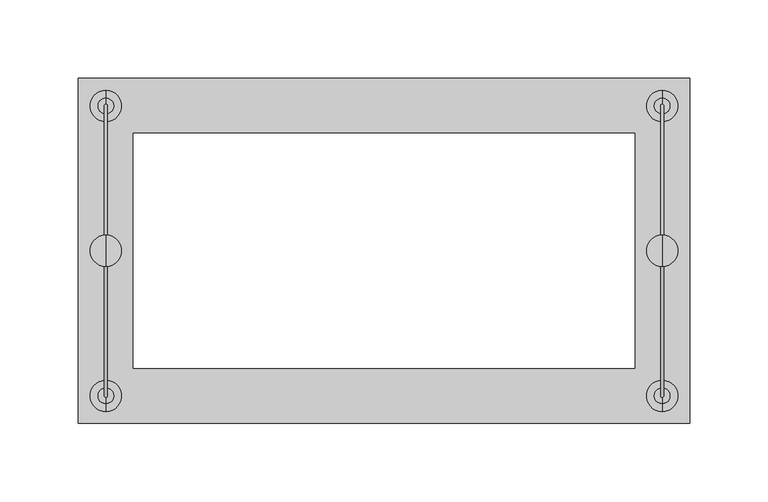
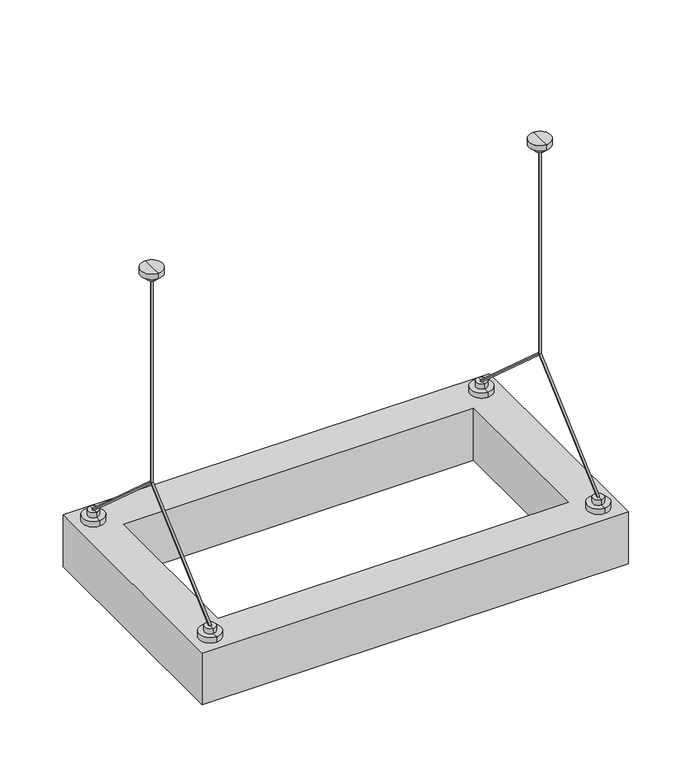
"""IFC4 building model written with IfcOpenShell, lengths in millimetres: light fixture geometry."""

from ifc_helpers import new_model, si_unit, frame, origin, place, context, project, spatial, polyline, circle_curve, ellipse_curve, outline, extrude, source, transform, mapped, element, save
from ifc_brep_helpers import plane_surface, cylinder_surface, advanced_brep


def light_fixture_ee038f2b(model_context):
    return source(origin(), model_context, "Body", "SolidModel", [
        advanced_brep(
        [(253.5, 0.0, -10.0), (253.5, 0.0, -207.5), (251.5, 0.0, -207.5), (251.5, 0.0, -10.0), (252.5, 1.0, -10.0), (252.5, -1.0, -10.0), (253.5, -92.5, -290.0), (252.5, -90.9976297, -290.0), (251.5, -92.5, -290.0), (251.5, 92.5, -290.0), (252.5, 90.9976297, -290.0), (253.5, 92.5, -290.0), (252.5, 82.5, -300.0), (252.5, 102.5, -300.0), (252.5, 92.5, -300.0), (252.5, 82.5, -295.0), (252.5, 102.5, -295.0), (252.5, 87.5, -295.0), (252.5, 97.5, -295.0), (252.5, 87.5, -290.0), (252.5, 97.5, -290.0), (252.5, 93.5, -290.0), (252.5, -102.5, -300.0), (252.5, -82.5, -300.0), (252.5, -92.5, -300.0), (252.5, -102.5, -295.0), (252.5, -82.5, -295.0), (252.5, -97.5, -295.0), (252.5, -87.5, -295.0), (252.5, -97.5, -290.0), (252.5, -87.5, -290.0), (252.5, -93.5, -290.0), (252.5, -5.0, -10.0), (252.5, 5.0, -10.0), (252.5, -5.0, -5.0), (252.5, 5.0, -5.0), (252.5, -10.0, -5.0), (252.5, 10.0, -5.0), (252.5, -10.0, 0.0), (252.5, 10.0, 0.0), (252.5, 0.0, 0.0)],
        [
            (0, 1),
            (1, 2, ellipse_curve(frame((252.5, 0.0, -207.5), z_axis=(0.0, -0.40889188854854597, 0.912582831023685), x_axis=(0.0, 0.9125828310236851, 0.4088918885485457)), 1.0957909, 1.0)),
            (2, 3),
            (3, 4, circle_curve(frame((252.5, 0.0, -10.0), z_axis=(0.0, 0.0, -1.0), x_axis=(1.0, 0.0, 0.0)), 1.0)),
            (4, 0, circle_curve(frame((252.5, 0.0, -10.0), z_axis=(0.0, 0.0, -1.0), x_axis=(1.0, 0.0, 0.0)), 1.0)),
            (0, 5, circle_curve(frame((252.5, 0.0, -10.0), z_axis=(0.0, 0.0, -1.0), x_axis=(1.0, 0.0, 0.0)), 1.0)),
            (5, 3, circle_curve(frame((252.5, 0.0, -10.0), z_axis=(0.0, 0.0, -1.0), x_axis=(1.0, 0.0, 0.0)), 1.0)),
            (2, 1, ellipse_curve(frame((252.5, 0.0, -207.5), z_axis=(0.0, 0.4088918885485265, 0.9125828310236938), x_axis=(0.0, -0.9125828310236939, 0.4088918885485263)), 1.0957909, 1.0)),
            (1, 6),
            (6, 7, ellipse_curve(frame((252.5, -92.5, -290.0), z_axis=(0.0, 0.0, 1.0), x_axis=(0.0, 0.9999999999999999, 0.0)), 1.5023703, 1.0)),
            (7, 8, ellipse_curve(frame((252.5, -92.5, -290.0), z_axis=(0.0, 0.0, 1.0), x_axis=(0.0, 0.9999999999999999, 0.0)), 1.5023703, 1.0)),
            (8, 2),
            (2, 1, ellipse_curve(frame((252.5, 0.0, -207.5), z_axis=(0.0, -0.9999999999999999, 0.0), x_axis=(0.0, 0.0, 1.0)), 1.3399519, 1.0)),
            (8, 6, ellipse_curve(frame((252.5, -92.5, -290.0), z_axis=(0.0, 0.4088918885485264, 0.9125828310236938), x_axis=(0.0, 0.9125828310236936, -0.4088918885485264)), 1.0957909, 1.0)),
            (2, 9),
            (9, 10, ellipse_curve(frame((252.5, 92.5, -290.0), z_axis=(0.0, 0.0, 1.0), x_axis=(0.0, -1.0, 0.0)), 1.5023703, 1.0)),
            (10, 11, ellipse_curve(frame((252.5, 92.5, -290.0), z_axis=(0.0, 0.0, 1.0), x_axis=(0.0, -1.0, 0.0)), 1.5023703, 1.0)),
            (11, 1),
            (11, 9, ellipse_curve(frame((252.5, 92.5, -290.0), z_axis=(0.0, -0.4088918885485461, 0.912582831023685), x_axis=(0.0, -0.9125828310236849, -0.40889188854854636)), 1.0957909, 1.0)),
            (12, 13, circle_curve(frame((252.5, 92.5, -300.0), z_axis=(0.0, 0.0, -1.0), x_axis=(0.0, 1.0, 0.0)), 10.0)),
            (13, 14),
            (14, 12),
            (13, 12, circle_curve(frame((252.5, 92.5, -300.0), z_axis=(0.0, 0.0, -1.0), x_axis=(0.0, 1.0, 0.0)), 10.0)),
            (12, 15),
            (15, 16, circle_curve(frame((252.5, 92.5, -295.0), z_axis=(0.0, 0.0, -1.0), x_axis=(0.0, 1.0, 0.0)), 10.0)),
            (16, 13),
            (16, 15, circle_curve(frame((252.5, 92.5, -295.0), z_axis=(0.0, 0.0, -1.0), x_axis=(0.0, 1.0, 0.0)), 10.0)),
            (15, 17),
            (17, 18, circle_curve(frame((252.5, 92.5, -295.0), z_axis=(0.0, 0.0, -1.0), x_axis=(0.0, 1.0, 0.0)), 5.0)),
            (18, 16),
            (18, 17, circle_curve(frame((252.5, 92.5, -295.0), z_axis=(0.0, 0.0, -1.0), x_axis=(0.0, 1.0, 0.0)), 5.0)),
            (17, 19),
            (19, 20, circle_curve(frame((252.5, 92.5, -290.0), z_axis=(0.0, 0.0, -1.0), x_axis=(0.0, 1.0, 0.0)), 5.0)),
            (20, 18),
            (20, 19, circle_curve(frame((252.5, 92.5, -290.0), z_axis=(0.0, 0.0, -1.0), x_axis=(0.0, 1.0, 0.0)), 5.0)),
            (19, 10),
            (9, 21, circle_curve(frame((252.5, 92.5, -290.0), z_axis=(0.0, 0.0, -1.0), x_axis=(1.0, 0.0, 0.0)), 1.0)),
            (21, 20),
            (21, 11, circle_curve(frame((252.5, 92.5, -290.0), z_axis=(0.0, 0.0, -1.0), x_axis=(1.0, 0.0, 0.0)), 1.0)),
            (22, 23, circle_curve(frame((252.5, -92.5, -300.0), z_axis=(0.0, 0.0, -1.0), x_axis=(0.0, 1.0, 0.0)), 10.0)),
            (23, 24),
            (24, 22),
            (23, 22, circle_curve(frame((252.5, -92.5, -300.0), z_axis=(0.0, 0.0, -1.0), x_axis=(0.0, 1.0, 0.0)), 10.0)),
            (22, 25),
            (25, 26, circle_curve(frame((252.5, -92.5, -295.0), z_axis=(0.0, 0.0, -1.0), x_axis=(0.0, 1.0, 0.0)), 10.0)),
            (26, 23),
            (26, 25, circle_curve(frame((252.5, -92.5, -295.0), z_axis=(0.0, 0.0, -1.0), x_axis=(0.0, 1.0, 0.0)), 10.0)),
            (25, 27),
            (27, 28, circle_curve(frame((252.5, -92.5, -295.0), z_axis=(0.0, 0.0, -1.0), x_axis=(0.0, 1.0, 0.0)), 5.0)),
            (28, 26),
            (28, 27, circle_curve(frame((252.5, -92.5, -295.0), z_axis=(0.0, 0.0, -1.0), x_axis=(0.0, 1.0, 0.0)), 5.0)),
            (27, 29),
            (29, 30, circle_curve(frame((252.5, -92.5, -290.0), z_axis=(0.0, 0.0, -1.0), x_axis=(0.0, 1.0, 0.0)), 5.0)),
            (30, 28),
            (30, 29, circle_curve(frame((252.5, -92.5, -290.0), z_axis=(0.0, 0.0, -1.0), x_axis=(0.0, 1.0, 0.0)), 5.0)),
            (29, 31),
            (31, 8, circle_curve(frame((252.5, -92.5, -290.0), z_axis=(0.0, 0.0, -1.0), x_axis=(1.0, 0.0, 0.0)), 1.0)),
            (7, 30),
            (6, 31, circle_curve(frame((252.5, -92.5, -290.0), z_axis=(0.0, 0.0, -1.0), x_axis=(1.0, 0.0, 0.0)), 1.0)),
            (32, 33, circle_curve(frame((252.5, 0.0, -10.0), z_axis=(0.0, 0.0, -1.0), x_axis=(0.0, 1.0, 0.0)), 5.0)),
            (33, 4),
            (5, 32),
            (33, 32, circle_curve(frame((252.5, 0.0, -10.0), z_axis=(0.0, 0.0, -1.0), x_axis=(0.0, 1.0, 0.0)), 5.0)),
            (32, 34),
            (34, 35, circle_curve(frame((252.5, 0.0, -5.0), z_axis=(0.0, 0.0, -1.0), x_axis=(0.0, 1.0, 0.0)), 5.0)),
            (35, 33),
            (35, 34, circle_curve(frame((252.5, 0.0, -5.0), z_axis=(0.0, 0.0, -1.0), x_axis=(0.0, 1.0, 0.0)), 5.0)),
            (34, 36),
            (36, 37, circle_curve(frame((252.5, 0.0, -5.0), z_axis=(0.0, 0.0, -1.0), x_axis=(0.0, 1.0, 0.0)), 10.0)),
            (37, 35),
            (37, 36, circle_curve(frame((252.5, 0.0, -5.0), z_axis=(0.0, 0.0, -1.0), x_axis=(0.0, 1.0, 0.0)), 10.0)),
            (36, 38),
            (38, 39, circle_curve(frame((252.5, 0.0, 0.0), z_axis=(0.0, 0.0, -1.0), x_axis=(0.0, 1.0, 0.0)), 10.0)),
            (39, 37),
            (39, 38, circle_curve(frame((252.5, 0.0, 0.0), z_axis=(0.0, 0.0, -1.0), x_axis=(0.0, 1.0, 0.0)), 10.0)),
            (38, 40),
            (40, 39),
        ],
        [
            cylinder_surface(frame((252.5, 0.0, -10.0), z_axis=(0.0, 0.0, 1.0), x_axis=(1.0, 0.0, 0.0)), 1.0),
            cylinder_surface(frame((252.5, 0.0, -207.5), z_axis=(0.0, 0.7462954344684778, 0.665614846958439), x_axis=(1.0, 0.0, 0.0)), 1.0),
            cylinder_surface(frame((252.5, 0.0, -207.5), z_axis=(0.0, -0.7462954344685063, 0.6656148469584069), x_axis=(1.0, 0.0, 0.0)), 1.0),
            plane_surface(frame((252.5, 92.5, -300.0), z_axis=(0.0, 0.0, -1.0), x_axis=(0.0, 1.0, 0.0))),
            cylinder_surface(frame((252.5, 92.5, -604.8), z_axis=(0.0, 0.0, 1.0), x_axis=(0.0, 1.0, 0.0)), 10.0),
            plane_surface(frame((252.5, 92.5, -295.0), z_axis=(0.0, 0.0, 1.0), x_axis=(0.0, 1.0, 0.0))),
            cylinder_surface(frame((252.5, 92.5, -604.8), z_axis=(0.0, 0.0, 1.0), x_axis=(0.0, 1.0, 0.0)), 5.0),
            plane_surface(frame((252.5, 92.5, -290.0), z_axis=(0.0, 0.0, 1.0), x_axis=(0.0, 1.0, 0.0))),
            plane_surface(frame((252.5, -92.5, -300.0), z_axis=(0.0, 0.0, -1.0), x_axis=(0.0, 1.0, 0.0))),
            cylinder_surface(frame((252.5, -92.5, -604.8), z_axis=(0.0, 0.0, 1.0), x_axis=(0.0, 1.0, 0.0)), 10.0),
            plane_surface(frame((252.5, -92.5, -295.0), z_axis=(0.0, 0.0, 1.0), x_axis=(0.0, 1.0, 0.0))),
            cylinder_surface(frame((252.5, -92.5, -604.8), z_axis=(0.0, 0.0, 1.0), x_axis=(0.0, 1.0, 0.0)), 5.0),
            plane_surface(frame((252.5, -92.5, -290.0), z_axis=(0.0, 0.0, 1.0), x_axis=(0.0, 1.0, 0.0))),
            plane_surface(frame((252.5, 0.0, -10.0), z_axis=(0.0, 0.0, -1.0), x_axis=(0.0, 1.0, 0.0))),
            cylinder_surface(frame((252.5, 0.0, 2141.4742198), z_axis=(0.0, 0.0, 1.0), x_axis=(0.0, 1.0, 0.0)), 5.0),
            plane_surface(frame((252.5, 0.0, -5.0), z_axis=(0.0, 0.0, -1.0), x_axis=(0.0, 1.0, 0.0))),
            cylinder_surface(frame((252.5, 0.0, 2141.4742198), z_axis=(0.0, 0.0, 1.0), x_axis=(0.0, 1.0, 0.0)), 10.0),
            plane_surface(frame((252.5, 0.0, 0.0), z_axis=(0.0, 0.0, 1.0), x_axis=(0.0, 1.0, 0.0))),
            cylinder_surface(frame((252.5, 92.5, -290.0), z_axis=(0.0, 0.0, 1.0), x_axis=(1.0, 0.0, 0.0)), 1.0),
            cylinder_surface(frame((252.5, -92.5, -290.0), z_axis=(0.0, 0.0, 1.0), x_axis=(1.0, 0.0, 0.0)), 1.0),
        ],
        [
            (0, [[1, 2, 3, 4, 5]]),
            (0, [[-1, 6, 7, -3, 8]]),
            (1, [[9, 10, 11, 12, 13]]),
            (1, [[-8, -12, 14, -9]]),
            (2, [[15, 16, 17, 18, -13]]),
            (2, [[-15, -2, -18, 19]]),
            (3, [[20, 21, 22]]),
            (3, [[-21, 23, -22]]),
            (4, [[-20, 24, 25, 26]]),
            (4, [[-23, -26, 27, -24]]),
            (5, [[-25, 28, 29, 30]]),
            (5, [[-27, -30, 31, -28]]),
            (6, [[-29, 32, 33, 34]]),
            (6, [[-31, -34, 35, -32]]),
            (7, [[-33, 36, -16, 37, 38]]),
            (7, [[-35, -38, 39, -17, -36]]),
            (8, [[40, 41, 42]]),
            (8, [[-41, 43, -42]]),
            (9, [[-40, 44, 45, 46]]),
            (9, [[-43, -46, 47, -44]]),
            (10, [[-45, 48, 49, 50]]),
            (10, [[-47, -50, 51, -48]]),
            (11, [[-49, 52, 53, 54]]),
            (11, [[-51, -54, 55, -52]]),
            (12, [[-53, 56, 57, -11, 58]]),
            (12, [[-55, -58, -10, 59, -56]]),
            (13, [[60, 61, -4, -7, 62]]),
            (13, [[63, -62, -6, -5, -61]]),
            (14, [[-60, 64, 65, 66]]),
            (14, [[-63, -66, 67, -64]]),
            (15, [[-65, 68, 69, 70]]),
            (15, [[-67, -70, 71, -68]]),
            (16, [[-69, 72, 73, 74]]),
            (16, [[-71, -74, 75, -72]]),
            (17, [[-73, 76, 77]]),
            (17, [[-75, -77, -76]]),
            (18, [[-19, -39, -37]]),
            (19, [[-14, -57, -59]]),
        ],
    ),
        advanced_brep(
        [(-101.5, 0.0, -10.0), (-101.5, 0.0, -207.5), (-103.5, 0.0, -207.5), (-103.5, 0.0, -10.0), (-102.5, 1.0, -10.0), (-102.5, -1.0, -10.0), (-101.5, -92.5, -290.0), (-102.5, -90.9976297, -290.0), (-103.5, -92.5, -290.0), (-103.5, 92.5, -290.0), (-102.5, 90.9976297, -290.0), (-101.5, 92.5, -290.0), (-102.5, 82.5, -300.0), (-102.5, 102.5, -300.0), (-102.5, 92.5, -300.0), (-102.5, 82.5, -295.0), (-102.5, 102.5, -295.0), (-102.5, 87.5, -295.0), (-102.5, 97.5, -295.0), (-102.5, 87.5, -290.0), (-102.5, 97.5, -290.0), (-102.5, 93.5, -290.0), (-102.5, -102.5, -300.0), (-102.5, -82.5, -300.0), (-102.5, -92.5, -300.0), (-102.5, -102.5, -295.0), (-102.5, -82.5, -295.0), (-102.5, -97.5, -295.0), (-102.5, -87.5, -295.0), (-102.5, -97.5, -290.0), (-102.5, -87.5, -290.0), (-102.5, -93.5, -290.0), (-102.5, -5.0, -10.0), (-102.5, 5.0, -10.0), (-102.5, -5.0, -5.0), (-102.5, 5.0, -5.0), (-102.5, -10.0, -5.0), (-102.5, 10.0, -5.0), (-102.5, -10.0, 0.0), (-102.5, 10.0, 0.0), (-102.5, 0.0, 0.0)],
        [
            (0, 1),
            (1, 2, ellipse_curve(frame((-102.5, 0.0, -207.5), z_axis=(0.0, -0.40889188854854597, 0.912582831023685), x_axis=(0.0, 0.9125828310236851, 0.4088918885485457)), 1.0957909, 1.0)),
            (2, 3),
            (3, 4, circle_curve(frame((-102.5, 0.0, -10.0), z_axis=(0.0, 0.0, -1.0), x_axis=(1.0, 0.0, 0.0)), 1.0)),
            (4, 0, circle_curve(frame((-102.5, 0.0, -10.0), z_axis=(0.0, 0.0, -1.0), x_axis=(1.0, 0.0, 0.0)), 1.0)),
            (0, 5, circle_curve(frame((-102.5, 0.0, -10.0), z_axis=(0.0, 0.0, -1.0), x_axis=(1.0, 0.0, 0.0)), 1.0)),
            (5, 3, circle_curve(frame((-102.5, 0.0, -10.0), z_axis=(0.0, 0.0, -1.0), x_axis=(1.0, 0.0, 0.0)), 1.0)),
            (2, 1, ellipse_curve(frame((-102.5, 0.0, -207.5), z_axis=(0.0, 0.4088918885485265, 0.9125828310236938), x_axis=(0.0, -0.9125828310236939, 0.4088918885485263)), 1.0957909, 1.0)),
            (1, 6),
            (6, 7, ellipse_curve(frame((-102.5, -92.5, -290.0), z_axis=(0.0, 0.0, 1.0), x_axis=(0.0, 0.9999999999999999, 0.0)), 1.5023703, 1.0)),
            (7, 8, ellipse_curve(frame((-102.5, -92.5, -290.0), z_axis=(0.0, 0.0, 1.0), x_axis=(0.0, 0.9999999999999999, 0.0)), 1.5023703, 1.0)),
            (8, 2),
            (2, 1, ellipse_curve(frame((-102.5, 0.0, -207.5), z_axis=(0.0, -0.9999999999999999, 0.0), x_axis=(0.0, 0.0, 1.0)), 1.3399519, 1.0)),
            (8, 6, ellipse_curve(frame((-102.5, -92.5, -290.0), z_axis=(0.0, 0.4088918885485264, 0.9125828310236938), x_axis=(0.0, 0.9125828310236936, -0.4088918885485264)), 1.0957909, 1.0)),
            (2, 9),
            (9, 10, ellipse_curve(frame((-102.5, 92.5, -290.0), z_axis=(0.0, 0.0, 1.0), x_axis=(0.0, -1.0, 0.0)), 1.5023703, 1.0)),
            (10, 11, ellipse_curve(frame((-102.5, 92.5, -290.0), z_axis=(0.0, 0.0, 1.0), x_axis=(0.0, -1.0, 0.0)), 1.5023703, 1.0)),
            (11, 1),
            (11, 9, ellipse_curve(frame((-102.5, 92.5, -290.0), z_axis=(0.0, -0.4088918885485461, 0.912582831023685), x_axis=(0.0, -0.9125828310236849, -0.40889188854854636)), 1.0957909, 1.0)),
            (12, 13, circle_curve(frame((-102.5, 92.5, -300.0), z_axis=(0.0, 0.0, -1.0), x_axis=(0.0, 1.0, 0.0)), 10.0)),
            (13, 14),
            (14, 12),
            (13, 12, circle_curve(frame((-102.5, 92.5, -300.0), z_axis=(0.0, 0.0, -1.0), x_axis=(0.0, 1.0, 0.0)), 10.0)),
            (12, 15),
            (15, 16, circle_curve(frame((-102.5, 92.5, -295.0), z_axis=(0.0, 0.0, -1.0), x_axis=(0.0, 1.0, 0.0)), 10.0)),
            (16, 13),
            (16, 15, circle_curve(frame((-102.5, 92.5, -295.0), z_axis=(0.0, 0.0, -1.0), x_axis=(0.0, 1.0, 0.0)), 10.0)),
            (15, 17),
            (17, 18, circle_curve(frame((-102.5, 92.5, -295.0), z_axis=(0.0, 0.0, -1.0), x_axis=(0.0, 1.0, 0.0)), 5.0)),
            (18, 16),
            (18, 17, circle_curve(frame((-102.5, 92.5, -295.0), z_axis=(0.0, 0.0, -1.0), x_axis=(0.0, 1.0, 0.0)), 5.0)),
            (17, 19),
            (19, 20, circle_curve(frame((-102.5, 92.5, -290.0), z_axis=(0.0, 0.0, -1.0), x_axis=(0.0, 1.0, 0.0)), 5.0)),
            (20, 18),
            (20, 19, circle_curve(frame((-102.5, 92.5, -290.0), z_axis=(0.0, 0.0, -1.0), x_axis=(0.0, 1.0, 0.0)), 5.0)),
            (19, 10),
            (9, 21, circle_curve(frame((-102.5, 92.5, -290.0), z_axis=(0.0, 0.0, -1.0), x_axis=(1.0, 0.0, 0.0)), 1.0)),
            (21, 20),
            (21, 11, circle_curve(frame((-102.5, 92.5, -290.0), z_axis=(0.0, 0.0, -1.0), x_axis=(1.0, 0.0, 0.0)), 1.0)),
            (22, 23, circle_curve(frame((-102.5, -92.5, -300.0), z_axis=(0.0, 0.0, -1.0), x_axis=(0.0, 1.0, 0.0)), 10.0)),
            (23, 24),
            (24, 22),
            (23, 22, circle_curve(frame((-102.5, -92.5, -300.0), z_axis=(0.0, 0.0, -1.0), x_axis=(0.0, 1.0, 0.0)), 10.0)),
            (22, 25),
            (25, 26, circle_curve(frame((-102.5, -92.5, -295.0), z_axis=(0.0, 0.0, -1.0), x_axis=(0.0, 1.0, 0.0)), 10.0)),
            (26, 23),
            (26, 25, circle_curve(frame((-102.5, -92.5, -295.0), z_axis=(0.0, 0.0, -1.0), x_axis=(0.0, 1.0, 0.0)), 10.0)),
            (25, 27),
            (27, 28, circle_curve(frame((-102.5, -92.5, -295.0), z_axis=(0.0, 0.0, -1.0), x_axis=(0.0, 1.0, 0.0)), 5.0)),
            (28, 26),
            (28, 27, circle_curve(frame((-102.5, -92.5, -295.0), z_axis=(0.0, 0.0, -1.0), x_axis=(0.0, 1.0, 0.0)), 5.0)),
            (27, 29),
            (29, 30, circle_curve(frame((-102.5, -92.5, -290.0), z_axis=(0.0, 0.0, -1.0), x_axis=(0.0, 1.0, 0.0)), 5.0)),
            (30, 28),
            (30, 29, circle_curve(frame((-102.5, -92.5, -290.0), z_axis=(0.0, 0.0, -1.0), x_axis=(0.0, 1.0, 0.0)), 5.0)),
            (29, 31),
            (31, 8, circle_curve(frame((-102.5, -92.5, -290.0), z_axis=(0.0, 0.0, -1.0), x_axis=(1.0, 0.0, 0.0)), 1.0)),
            (7, 30),
            (6, 31, circle_curve(frame((-102.5, -92.5, -290.0), z_axis=(0.0, 0.0, -1.0), x_axis=(1.0, 0.0, 0.0)), 1.0)),
            (32, 33, circle_curve(frame((-102.5, 0.0, -10.0), z_axis=(0.0, 0.0, -1.0), x_axis=(0.0, 1.0, 0.0)), 5.0)),
            (33, 4),
            (5, 32),
            (33, 32, circle_curve(frame((-102.5, 0.0, -10.0), z_axis=(0.0, 0.0, -1.0), x_axis=(0.0, 1.0, 0.0)), 5.0)),
            (32, 34),
            (34, 35, circle_curve(frame((-102.5, 0.0, -5.0), z_axis=(0.0, 0.0, -1.0), x_axis=(0.0, 1.0, 0.0)), 5.0)),
            (35, 33),
            (35, 34, circle_curve(frame((-102.5, 0.0, -5.0), z_axis=(0.0, 0.0, -1.0), x_axis=(0.0, 1.0, 0.0)), 5.0)),
            (34, 36),
            (36, 37, circle_curve(frame((-102.5, 0.0, -5.0), z_axis=(0.0, 0.0, -1.0), x_axis=(0.0, 1.0, 0.0)), 10.0)),
            (37, 35),
            (37, 36, circle_curve(frame((-102.5, 0.0, -5.0), z_axis=(0.0, 0.0, -1.0), x_axis=(0.0, 1.0, 0.0)), 10.0)),
            (36, 38),
            (38, 39, circle_curve(frame((-102.5, 0.0, 0.0), z_axis=(0.0, 0.0, -1.0), x_axis=(0.0, 1.0, 0.0)), 10.0)),
            (39, 37),
            (39, 38, circle_curve(frame((-102.5, 0.0, 0.0), z_axis=(0.0, 0.0, -1.0), x_axis=(0.0, 1.0, 0.0)), 10.0)),
            (38, 40),
            (40, 39),
        ],
        [
            cylinder_surface(frame((-102.5, 0.0, -10.0), z_axis=(0.0, 0.0, 1.0), x_axis=(1.0, 0.0, 0.0)), 1.0),
            cylinder_surface(frame((-102.5, 0.0, -207.5), z_axis=(0.0, 0.7462954344684778, 0.665614846958439), x_axis=(1.0, 0.0, 0.0)), 1.0),
            cylinder_surface(frame((-102.5, 0.0, -207.5), z_axis=(0.0, -0.7462954344685063, 0.6656148469584069), x_axis=(1.0, 0.0, 0.0)), 1.0),
            plane_surface(frame((-102.5, 92.5, -300.0), z_axis=(0.0, 0.0, -1.0), x_axis=(0.0, 1.0, 0.0))),
            cylinder_surface(frame((-102.5, 92.5, -604.8), z_axis=(0.0, 0.0, 1.0), x_axis=(0.0, 1.0, 0.0)), 10.0),
            plane_surface(frame((-102.5, 92.5, -295.0), z_axis=(0.0, 0.0, 1.0), x_axis=(0.0, 1.0, 0.0))),
            cylinder_surface(frame((-102.5, 92.5, -604.8), z_axis=(0.0, 0.0, 1.0), x_axis=(0.0, 1.0, 0.0)), 5.0),
            plane_surface(frame((-102.5, 92.5, -290.0), z_axis=(0.0, 0.0, 1.0), x_axis=(0.0, 1.0, 0.0))),
            plane_surface(frame((-102.5, -92.5, -300.0), z_axis=(0.0, 0.0, -1.0), x_axis=(0.0, 1.0, 0.0))),
            cylinder_surface(frame((-102.5, -92.5, -604.8), z_axis=(0.0, 0.0, 1.0), x_axis=(0.0, 1.0, 0.0)), 10.0),
            plane_surface(frame((-102.5, -92.5, -295.0), z_axis=(0.0, 0.0, 1.0), x_axis=(0.0, 1.0, 0.0))),
            cylinder_surface(frame((-102.5, -92.5, -604.8), z_axis=(0.0, 0.0, 1.0), x_axis=(0.0, 1.0, 0.0)), 5.0),
            plane_surface(frame((-102.5, -92.5, -290.0), z_axis=(0.0, 0.0, 1.0), x_axis=(0.0, 1.0, 0.0))),
            plane_surface(frame((-102.5, 0.0, -10.0), z_axis=(0.0, 0.0, -1.0), x_axis=(0.0, 1.0, 0.0))),
            cylinder_surface(frame((-102.5, 0.0, 2141.4742198), z_axis=(0.0, 0.0, 1.0), x_axis=(0.0, 1.0, 0.0)), 5.0),
            plane_surface(frame((-102.5, 0.0, -5.0), z_axis=(0.0, 0.0, -1.0), x_axis=(0.0, 1.0, 0.0))),
            cylinder_surface(frame((-102.5, 0.0, 2141.4742198), z_axis=(0.0, 0.0, 1.0), x_axis=(0.0, 1.0, 0.0)), 10.0),
            plane_surface(frame((-102.5, 0.0, 0.0), z_axis=(0.0, 0.0, 1.0), x_axis=(0.0, 1.0, 0.0))),
            cylinder_surface(frame((-102.5, 92.5, -290.0), z_axis=(0.0, 0.0, 1.0), x_axis=(1.0, 0.0, 0.0)), 1.0),
            cylinder_surface(frame((-102.5, -92.5, -290.0), z_axis=(0.0, 0.0, 1.0), x_axis=(1.0, 0.0, 0.0)), 1.0),
        ],
        [
            (0, [[1, 2, 3, 4, 5]]),
            (0, [[-1, 6, 7, -3, 8]]),
            (1, [[9, 10, 11, 12, 13]]),
            (1, [[-8, -12, 14, -9]]),
            (2, [[15, 16, 17, 18, -13]]),
            (2, [[-15, -2, -18, 19]]),
            (3, [[20, 21, 22]]),
            (3, [[-21, 23, -22]]),
            (4, [[-20, 24, 25, 26]]),
            (4, [[-23, -26, 27, -24]]),
            (5, [[-25, 28, 29, 30]]),
            (5, [[-27, -30, 31, -28]]),
            (6, [[-29, 32, 33, 34]]),
            (6, [[-31, -34, 35, -32]]),
            (7, [[-33, 36, -16, 37, 38]]),
            (7, [[-35, -38, 39, -17, -36]]),
            (8, [[40, 41, 42]]),
            (8, [[-41, 43, -42]]),
            (9, [[-40, 44, 45, 46]]),
            (9, [[-43, -46, 47, -44]]),
            (10, [[-45, 48, 49, 50]]),
            (10, [[-47, -50, 51, -48]]),
            (11, [[-49, 52, 53, 54]]),
            (11, [[-51, -54, 55, -52]]),
            (12, [[-53, 56, 57, -11, 58]]),
            (12, [[-55, -58, -10, 59, -56]]),
            (13, [[60, 61, -4, -7, 62]]),
            (13, [[63, -62, -6, -5, -61]]),
            (14, [[-60, 64, 65, 66]]),
            (14, [[-63, -66, 67, -64]]),
            (15, [[-65, 68, 69, 70]]),
            (15, [[-67, -70, 71, -68]]),
            (16, [[-69, 72, 73, 74]]),
            (16, [[-71, -74, 75, -72]]),
            (17, [[-73, 76, 77]]),
            (17, [[-75, -77, -76]]),
            (18, [[-19, -39, -37]]),
            (19, [[-14, -57, -59]]),
        ],
    ),
        extrude(outline(polyline([(270.0, 110.0), (270.0, -110.0), (-120.0, -110.0), (-120.0, 110.0), (270.0, 110.0)]), holes=[polyline([(235.0, 75.0), (-85.0, 75.0), (-85.0, -75.0), (235.0, -75.0), (235.0, 75.0)])]), frame((0.0, 0.0, -350.0), z_axis=(0.0, 0.0, 1.0), x_axis=(1.0, 0.0, 0.0)), (0.0, 0.0, 1.0), 50.0),
    ])


if __name__ == "__main__":
    model = new_model("IFC4")
    model_context = context("Model", 3, world=origin())
    ifc_project = project(units=[si_unit("LENGTHUNIT", "METRE", prefix="MILLI")], contexts=[model_context])
    site = spatial("IfcSite", under=ifc_project)
    building = spatial("IfcBuilding", under=site)
    placement = place(None, origin())
    light_fixture_shape = light_fixture_ee038f2b(model_context)
    element("IfcLightFixture", 1, at=placement, inside=building, context=model_context, shape_type="MappedRepresentation", body=[
        mapped(light_fixture_shape, transform((0.0, 0.0, 0.0), x_axis=(1.0, 0.0, 0.0), y_axis=(0.0, 1.0, 0.0), z_axis=(0.0, 0.0, 1.0))),
    ])
    save(model, "model.ifc")
